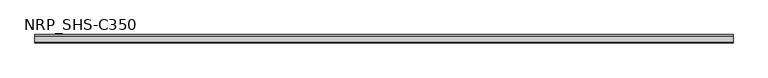
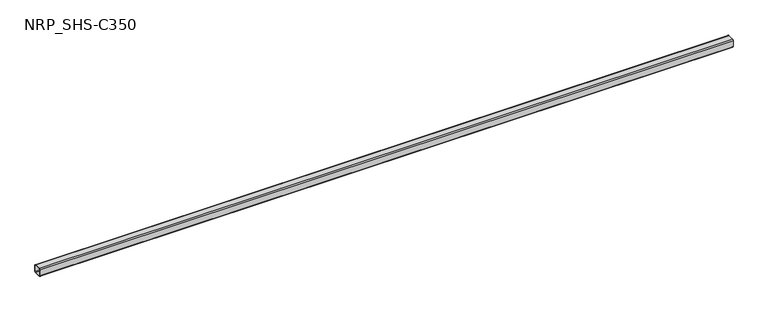
"""IFC4 building model written with IfcOpenShell, lengths in millimetres: member geometry, NRP_SHS-C350."""

from ifc_helpers import new_model, si_unit, point, frame, frame_2d, origin, place, context, project, spatial, polyline, circle_curve, trimmed, segment, composite_curve, outline, extrude, source, transform, mapped, element, save


def nrp_shs_c350_32471b85(model_context):
    return source(origin(), model_context, "Body", "SweptSolid", [
        extrude(outline(composite_curve([segment(polyline([(44.5, 32.0), (44.5, -32.0)]), True, "CONTINUOUS"), segment(trimmed(circle_curve(frame_2d((32.0, -32.0)), 12.5), [point((44.5, -32.0))], [point((32.0, -44.5))], False, "CARTESIAN"), True, "CONTINUOUS"), segment(polyline([(32.0, -44.5), (-32.0, -44.5)]), True, "CONTINUOUS"), segment(trimmed(circle_curve(frame_2d((-32.0, -32.0)), 12.5), [point((-32.0, -44.5))], [point((-44.5, -32.0))], False, "CARTESIAN"), True, "CONTINUOUS"), segment(polyline([(-44.5, -32.0), (-44.5, 32.0)]), True, "CONTINUOUS"), segment(trimmed(circle_curve(frame_2d((-32.0, 32.0)), 12.5), [point((-44.5, 32.0))], [point((-32.0, 44.5))], False, "CARTESIAN"), True, "CONTINUOUS"), segment(polyline([(-32.0, 44.5), (32.0, 44.5)]), True, "CONTINUOUS"), segment(trimmed(circle_curve(frame_2d((32.0, 32.0)), 12.5), [point((32.0, 44.5))], [point((44.5, 32.0))], False, "CARTESIAN"), True, "CONTINUOUS")], self_intersect=False), holes=[composite_curve([segment(trimmed(circle_curve(frame_2d((-32.0, 32.0)), 7.5), [point((-32.0, 39.5))], [point((-39.5, 32.0))], True, "CARTESIAN"), True, "CONTINUOUS"), segment(polyline([(-39.5, 32.0), (-39.5, -32.0)]), True, "CONTINUOUS"), segment(trimmed(circle_curve(frame_2d((-32.0, -32.0)), 7.5), [point((-39.5, -32.0))], [point((-32.0, -39.5))], True, "CARTESIAN"), True, "CONTINUOUS"), segment(polyline([(-32.0, -39.5), (32.0, -39.5)]), True, "CONTINUOUS"), segment(trimmed(circle_curve(frame_2d((32.0, -32.0)), 7.5), [point((32.0, -39.5))], [point((39.5, -32.0))], True, "CARTESIAN"), True, "CONTINUOUS"), segment(polyline([(39.5, -32.0), (39.5, 32.0)]), True, "CONTINUOUS"), segment(trimmed(circle_curve(frame_2d((32.0, 32.0)), 7.5), [point((39.5, 32.0))], [point((32.0, 39.5))], True, "CARTESIAN"), True, "CONTINUOUS"), segment(polyline([(32.0, 39.5), (-32.0, 39.5)]), True, "CONTINUOUS")], self_intersect=False)]), frame((-3722.5, 0.0, 0.0), z_axis=(1.0, 0.0, 0.0), x_axis=(0.0, 1.0, 0.0)), (0.0, 0.0, 1.0), 7382.0),
    ])


if __name__ == "__main__":
    model = new_model("IFC4")
    model_context = context("Model", 3, world=origin())
    ifc_project = project(units=[si_unit("LENGTHUNIT", "METRE", prefix="MILLI")], contexts=[model_context])
    site = spatial("IfcSite", under=ifc_project)
    building = spatial("IfcBuilding", under=site)
    placement = place(None, origin())
    nrp_shs_c350_shape = nrp_shs_c350_32471b85(model_context)
    element("IfcMember", 1, ObjectType="NRP_SHS-C350", at=placement, inside=building, context=model_context, shape_type="MappedRepresentation", body=[
        mapped(nrp_shs_c350_shape, transform((0.0, 0.0, 0.0), x_axis=(1.0, 0.0, 0.0), y_axis=(0.0, 1.0, 0.0), z_axis=(0.0, 0.0, 1.0))),
    ])
    save(model, "model.ifc")
